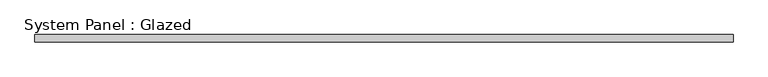
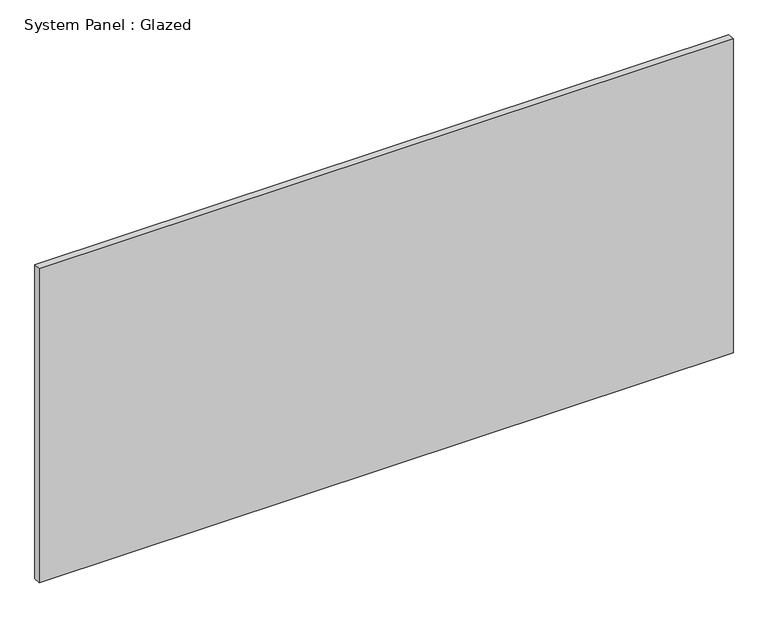
"""IFC4 building model written with IfcOpenShell, lengths in millimetres: plate geometry, System Panel : Glazed."""

import ifcopenshell
import ifcopenshell.guid

model = None  # the IFC model being written
_history = None  # IfcOwnerHistory: only IFC2X3 demands one
_inside = {}  # id of a spatial element -> (the spatial element, [elements in it])
_under = {}  # id of a project, library or spatial element -> (it, [spatial elements below it])
_declared = {}  # id of a project -> (the project, [libraries it declares])
_typed = {}  # id of a type object -> (the type object, [elements of that type])
_made_of = {}  # id of a material, layer set ... -> (it, [elements and type objects made of it])


def new_model(schema):
    """Start an empty IFC model of exactly this schema.

    Asked for "IFC4X3", IfcOpenShell would pick the latest addendum, in which some entities
    have other attributes; the version numbers below select the first issue.
    IFC2X3 requires an IfcOwnerHistory on every rooted entity: one is made here for all.
    """
    global model, _history
    if schema == "IFC4X3":
        model = ifcopenshell.file(schema_version=(4, 3, 0, 0))
    else:
        model = ifcopenshell.file(schema=schema)
    _inside.clear()
    _under.clear()
    _declared.clear()
    _typed.clear()
    _made_of.clear()
    _history = None
    if model.schema == "IFC2X3":
        org = make("IfcOrganization", Name="unknown")
        user = make(
            "IfcPersonAndOrganization",
            ThePerson=make("IfcPerson", FamilyName="unknown"),
            TheOrganization=org,
        )
        app = make(
            "IfcApplication",
            ApplicationDeveloper=org,
            Version="unknown",
            ApplicationFullName="unknown",
            ApplicationIdentifier="unknown",
        )
        _history = make(
            "IfcOwnerHistory",
            OwningUser=user,
            OwningApplication=app,
            ChangeAction="ADDED",
            CreationDate=0,
        )
    return model


def make(cls, **values):
    """One entity of the class cls with the attributes given. An attribute that is None is left unset."""
    return model.create_entity(
        cls, **{name: value for name, value in values.items() if value is not None}
    )


def rooted(cls, **values):
    """An entity with a GlobalId (a new one), such as an element, a storey or a relation."""
    return make(cls, GlobalId=ifcopenshell.guid.new(), OwnerHistory=_history, **values)


def si_unit(unit_type, name, prefix=None):
    """IfcSIUnit, for example si_unit("LENGTHUNIT", "METRE", prefix="MILLI")."""
    return make("IfcSIUnit", UnitType=unit_type, Prefix=prefix, Name=name)


def assignment(units):
    """IfcUnitAssignment: the units of a project."""
    return None if units is None else make("IfcUnitAssignment", Units=units)


def point(xyz):
    """IfcCartesianPoint."""
    return None if xyz is None else make("IfcCartesianPoint", Coordinates=xyz)


def direction(xyz):
    """IfcDirection."""
    return None if xyz is None else make("IfcDirection", DirectionRatios=xyz)


def frame(location, z_axis=None, x_axis=None):
    """IfcAxis2Placement3D, a coordinate frame: its origin and axes. An axis left out is left unset."""
    return make(
        "IfcAxis2Placement3D",
        Location=point(location),
        Axis=direction(z_axis),
        RefDirection=direction(x_axis),
    )


def origin():
    """The frame at (0, 0, 0) with its axes left unset."""
    return frame((0.0, 0.0, 0.0))


def origin_with_axes():
    """The frame at (0, 0, 0) with the z axis (0, 0, 1) and the x axis (1, 0, 0) written out."""
    return frame((0.0, 0.0, 0.0), z_axis=(0.0, 0.0, 1.0), x_axis=(1.0, 0.0, 0.0))


def place(relative_to, where):
    """IfcLocalPlacement: puts the frame where relative to a parent placement (None: the world)."""
    return make(
        "IfcLocalPlacement", PlacementRelTo=relative_to, RelativePlacement=where
    )


def context(
    kind, dimensions, precision=None, world=None, true_north=None, identifier=None
):
    """IfcGeometricRepresentationContext, for example the 3D "Model" context."""
    return make(
        "IfcGeometricRepresentationContext",
        ContextIdentifier=identifier,
        ContextType=kind,
        CoordinateSpaceDimension=dimensions,
        Precision=precision,
        WorldCoordinateSystem=world,
        TrueNorth=true_north,
    )


def project(units=None, contexts=None):
    """IfcProject with its units and contexts."""
    return rooted(
        "IfcProject",
        Name="project",
        RepresentationContexts=contexts,
        UnitsInContext=assignment(units),
    )


def spatial(cls, under=None, at=None, **own):
    """A site, building, storey or space (cls), placed at a placement, below another one or the project."""
    s = rooted(cls, ObjectPlacement=at, **own)
    if under is not None:
        _under.setdefault(under.id(), (under, []))[1].append(s)
    return s


def polyline(points):
    """IfcPolyline through the points."""
    return make("IfcPolyline", Points=[point(p) for p in points])


def outline(outer, holes=None, kind="AREA"):
    """IfcArbitraryClosedProfileDef: a profile drawn as a closed curve; with holes, ...WithVoids."""
    if holes is None:
        return make("IfcArbitraryClosedProfileDef", ProfileType=kind, OuterCurve=outer)
    return make(
        "IfcArbitraryProfileDefWithVoids",
        ProfileType=kind,
        OuterCurve=outer,
        InnerCurves=holes,
    )


def extrude(swept, where, along, depth):
    """IfcExtrudedAreaSolid: the profile swept, set in the frame where, extruded along a direction by depth."""
    return make(
        "IfcExtrudedAreaSolid",
        SweptArea=swept,
        Position=where,
        ExtrudedDirection=direction(along),
        Depth=depth,
    )


def shape(context_of_items, identifier, shape_type, items):
    """IfcShapeRepresentation: the items that make up one representation, for example the "Body"."""
    return make(
        "IfcShapeRepresentation",
        ContextOfItems=context_of_items,
        RepresentationIdentifier=identifier,
        RepresentationType=shape_type,
        Items=items,
    )


def source(mapping_origin, context_of_items, identifier, shape_type, items):
    """IfcRepresentationMap: a shape defined once, which mapped items show again and again."""
    return make(
        "IfcRepresentationMap",
        MappingOrigin=mapping_origin,
        MappedRepresentation=shape(context_of_items, identifier, shape_type, items),
    )


def transform(
    local_origin,
    x_axis=None,
    y_axis=None,
    z_axis=None,
    scale=None,
    scale2=None,
    scale3=None,
    uniform=True,
):
    """IfcCartesianTransformationOperator3D, or its non-uniform kind. x_axis, y_axis, z_axis: its Axis1, 2, 3."""
    if uniform:
        return make(
            "IfcCartesianTransformationOperator3D",
            Axis1=direction(x_axis),
            Axis2=direction(y_axis),
            LocalOrigin=point(local_origin),
            Scale=scale,
            Axis3=direction(z_axis),
        )
    return make(
        "IfcCartesianTransformationOperator3DnonUniform",
        Axis1=direction(x_axis),
        Axis2=direction(y_axis),
        LocalOrigin=point(local_origin),
        Scale=scale,
        Axis3=direction(z_axis),
        Scale2=scale2,
        Scale3=scale3,
    )


def mapped(mapping_source, mapping_target):
    """IfcMappedItem: shows the shape of a source again, moved by a transform."""
    return make(
        "IfcMappedItem", MappingSource=mapping_source, MappingTarget=mapping_target
    )


def made_of(thing, what):
    """Note that an element or type object is made of a material, layer set ...; save() writes the relation."""
    if what is not None:
        _made_of.setdefault(what.id(), (what, []))[1].append(thing)
    return thing


def element(
    cls,
    number,
    at=None,
    inside=None,
    cuts=None,
    type_object=None,
    material=None,
    context=None,
    identifier="Body",
    shape_type=None,
    held_by="IfcProductDefinitionShape",
    body=None,
    shapes=None,
    **own,
):
    """One element of the class cls, such as IfcWall. Its Tag is "e" and its number.

    at: its placement. inside: the storey or other place that contains it. cuts: it is an
    opening in that element (IfcRelVoidsElement). A single representation is given by context,
    identifier, shape_type and body (its items); several are given by shapes. held_by: the class
    of the entity that holds the representations. save() writes the other relations.
    """
    e = rooted(cls, Tag="e%d" % number, ObjectPlacement=at, **own)
    if body is not None:
        shapes = [shape(context, identifier, shape_type, body)]
    if shapes is not None:
        e.Representation = make(held_by, Representations=shapes)
    if inside is not None:
        _inside.setdefault(inside.id(), (inside, []))[1].append(e)
    if cuts is not None:
        rooted(
            "IfcRelVoidsElement", RelatingBuildingElement=cuts, RelatedOpeningElement=e
        )
    if type_object is not None:
        _typed.setdefault(type_object.id(), (type_object, []))[1].append(e)
    return made_of(e, material)


def aggregate(whole, parts):
    """IfcRelAggregates: a whole, such as a stair, and the parts it consists of."""
    return rooted("IfcRelAggregates", RelatingObject=whole, RelatedObjects=parts)


def save(model, path):
    """Write the relations noted so far, then the file.

    IfcRelAggregates (storeys below a building ...), IfcRelContainedInSpatialStructure (elements
    in a storey), IfcRelDefinesByType, IfcRelAssociatesMaterial and IfcRelDeclares: one each for
    every whole, place, type object, material and project.
    """
    for whole, parts in _under.values():
        aggregate(whole, parts)
    for where, things in _inside.values():
        rooted(
            "IfcRelContainedInSpatialStructure",
            RelatedElements=things,
            RelatingStructure=where,
        )
    for kind, things in _typed.values():
        rooted("IfcRelDefinesByType", RelatedObjects=things, RelatingType=kind)
    for what, things in _made_of.values():
        rooted("IfcRelAssociatesMaterial", RelatedObjects=things, RelatingMaterial=what)
    for by, libraries in _declared.values():
        rooted("IfcRelDeclares", RelatingContext=by, RelatedDefinitions=libraries)
    model.write(path)


def system_panel_glazed_944ac358(model_context):
    return source(origin(), model_context, "Body", "SweptSolid", [
        extrude(outline(polyline([(1241.425, -12.7), (-1241.425, -12.7), (-1241.425, 12.7), (1241.425, 12.7), (1241.425, -12.7)])), origin_with_axes(), (0.0, 0.0, 1.0), 1187.45),
    ])


if __name__ == "__main__":
    model = new_model("IFC4")
    model_context = context("Model", 3, world=origin())
    ifc_project = project(units=[si_unit("LENGTHUNIT", "METRE", prefix="MILLI")], contexts=[model_context])
    site = spatial("IfcSite", under=ifc_project)
    building = spatial("IfcBuilding", under=site)
    placement = place(None, origin())
    system_panel_glazed_shape = system_panel_glazed_944ac358(model_context)
    element("IfcPlate", 1, ObjectType="System Panel : Glazed", at=placement, inside=building, context=model_context, shape_type="MappedRepresentation", body=[
        mapped(system_panel_glazed_shape, transform((0.0, 0.0, 0.0), x_axis=(1.0, 0.0, 0.0), y_axis=(0.0, 1.0, 0.0), z_axis=(0.0, 0.0, 1.0))),
    ])
    save(model, "model.ifc")
